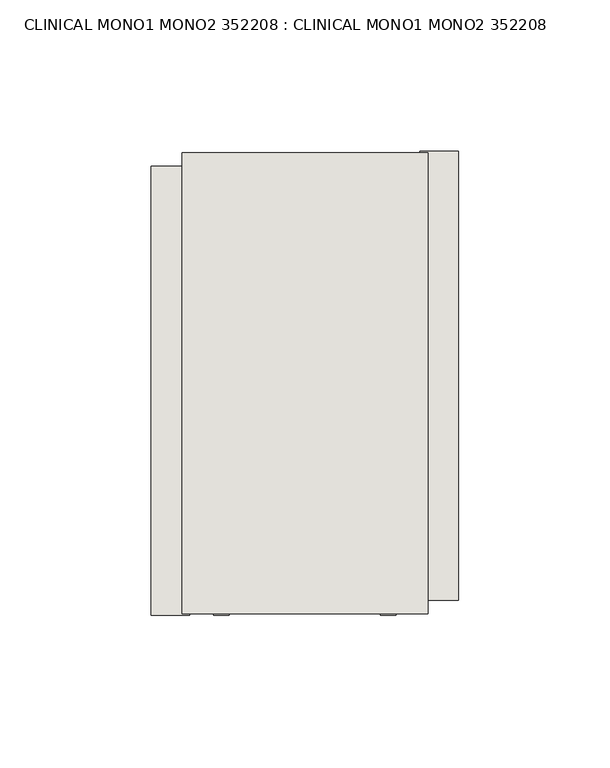
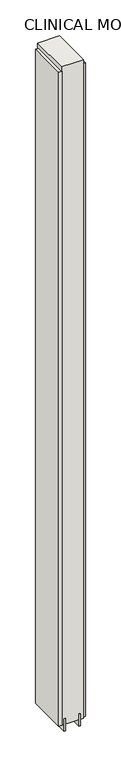
"""IFC4 building model written with IfcOpenShell, lengths in millimetres: wall geometry, CLINICAL MONO1 MONO2 352208 : CLINICAL MONO1 MONO2 352208."""

import ifcopenshell
import ifcopenshell.guid

model = None  # the IFC model being written
_history = None  # IfcOwnerHistory: only IFC2X3 demands one
_inside = {}  # id of a spatial element -> (the spatial element, [elements in it])
_under = {}  # id of a project, library or spatial element -> (it, [spatial elements below it])
_declared = {}  # id of a project -> (the project, [libraries it declares])
_typed = {}  # id of a type object -> (the type object, [elements of that type])
_made_of = {}  # id of a material, layer set ... -> (it, [elements and type objects made of it])


def new_model(schema):
    """Start an empty IFC model of exactly this schema.

    Asked for "IFC4X3", IfcOpenShell would pick the latest addendum, in which some entities
    have other attributes; the version numbers below select the first issue.
    IFC2X3 requires an IfcOwnerHistory on every rooted entity: one is made here for all.
    """
    global model, _history
    if schema == "IFC4X3":
        model = ifcopenshell.file(schema_version=(4, 3, 0, 0))
    else:
        model = ifcopenshell.file(schema=schema)
    _inside.clear()
    _under.clear()
    _declared.clear()
    _typed.clear()
    _made_of.clear()
    _history = None
    if model.schema == "IFC2X3":
        org = make("IfcOrganization", Name="unknown")
        user = make(
            "IfcPersonAndOrganization",
            ThePerson=make("IfcPerson", FamilyName="unknown"),
            TheOrganization=org,
        )
        app = make(
            "IfcApplication",
            ApplicationDeveloper=org,
            Version="unknown",
            ApplicationFullName="unknown",
            ApplicationIdentifier="unknown",
        )
        _history = make(
            "IfcOwnerHistory",
            OwningUser=user,
            OwningApplication=app,
            ChangeAction="ADDED",
            CreationDate=0,
        )
    return model


def make(cls, **values):
    """One entity of the class cls with the attributes given. An attribute that is None is left unset."""
    return model.create_entity(
        cls, **{name: value for name, value in values.items() if value is not None}
    )


def rooted(cls, **values):
    """An entity with a GlobalId (a new one), such as an element, a storey or a relation."""
    return make(cls, GlobalId=ifcopenshell.guid.new(), OwnerHistory=_history, **values)


def si_unit(unit_type, name, prefix=None):
    """IfcSIUnit, for example si_unit("LENGTHUNIT", "METRE", prefix="MILLI")."""
    return make("IfcSIUnit", UnitType=unit_type, Prefix=prefix, Name=name)


def assignment(units):
    """IfcUnitAssignment: the units of a project."""
    return None if units is None else make("IfcUnitAssignment", Units=units)


def point(xyz):
    """IfcCartesianPoint."""
    return None if xyz is None else make("IfcCartesianPoint", Coordinates=xyz)


def direction(xyz):
    """IfcDirection."""
    return None if xyz is None else make("IfcDirection", DirectionRatios=xyz)


def frame(location, z_axis=None, x_axis=None):
    """IfcAxis2Placement3D, a coordinate frame: its origin and axes. An axis left out is left unset."""
    return make(
        "IfcAxis2Placement3D",
        Location=point(location),
        Axis=direction(z_axis),
        RefDirection=direction(x_axis),
    )


def origin():
    """The frame at (0, 0, 0) with its axes left unset."""
    return frame((0.0, 0.0, 0.0))


def place(relative_to, where):
    """IfcLocalPlacement: puts the frame where relative to a parent placement (None: the world)."""
    return make(
        "IfcLocalPlacement", PlacementRelTo=relative_to, RelativePlacement=where
    )


def context(
    kind, dimensions, precision=None, world=None, true_north=None, identifier=None
):
    """IfcGeometricRepresentationContext, for example the 3D "Model" context."""
    return make(
        "IfcGeometricRepresentationContext",
        ContextIdentifier=identifier,
        ContextType=kind,
        CoordinateSpaceDimension=dimensions,
        Precision=precision,
        WorldCoordinateSystem=world,
        TrueNorth=true_north,
    )


def project(units=None, contexts=None):
    """IfcProject with its units and contexts."""
    return rooted(
        "IfcProject",
        Name="project",
        RepresentationContexts=contexts,
        UnitsInContext=assignment(units),
    )


def spatial(cls, under=None, at=None, **own):
    """A site, building, storey or space (cls), placed at a placement, below another one or the project."""
    s = rooted(cls, ObjectPlacement=at, **own)
    if under is not None:
        _under.setdefault(under.id(), (under, []))[1].append(s)
    return s


def polyline(points):
    """IfcPolyline through the points."""
    return make("IfcPolyline", Points=[point(p) for p in points])


def outline(outer, holes=None, kind="AREA"):
    """IfcArbitraryClosedProfileDef: a profile drawn as a closed curve; with holes, ...WithVoids."""
    if holes is None:
        return make("IfcArbitraryClosedProfileDef", ProfileType=kind, OuterCurve=outer)
    return make(
        "IfcArbitraryProfileDefWithVoids",
        ProfileType=kind,
        OuterCurve=outer,
        InnerCurves=holes,
    )


def extrude(swept, where, along, depth):
    """IfcExtrudedAreaSolid: the profile swept, set in the frame where, extruded along a direction by depth."""
    return make(
        "IfcExtrudedAreaSolid",
        SweptArea=swept,
        Position=where,
        ExtrudedDirection=direction(along),
        Depth=depth,
    )


def shape(context_of_items, identifier, shape_type, items):
    """IfcShapeRepresentation: the items that make up one representation, for example the "Body"."""
    return make(
        "IfcShapeRepresentation",
        ContextOfItems=context_of_items,
        RepresentationIdentifier=identifier,
        RepresentationType=shape_type,
        Items=items,
    )


def source(mapping_origin, context_of_items, identifier, shape_type, items):
    """IfcRepresentationMap: a shape defined once, which mapped items show again and again."""
    return make(
        "IfcRepresentationMap",
        MappingOrigin=mapping_origin,
        MappedRepresentation=shape(context_of_items, identifier, shape_type, items),
    )


def transform(
    local_origin,
    x_axis=None,
    y_axis=None,
    z_axis=None,
    scale=None,
    scale2=None,
    scale3=None,
    uniform=True,
):
    """IfcCartesianTransformationOperator3D, or its non-uniform kind. x_axis, y_axis, z_axis: its Axis1, 2, 3."""
    if uniform:
        return make(
            "IfcCartesianTransformationOperator3D",
            Axis1=direction(x_axis),
            Axis2=direction(y_axis),
            LocalOrigin=point(local_origin),
            Scale=scale,
            Axis3=direction(z_axis),
        )
    return make(
        "IfcCartesianTransformationOperator3DnonUniform",
        Axis1=direction(x_axis),
        Axis2=direction(y_axis),
        LocalOrigin=point(local_origin),
        Scale=scale,
        Axis3=direction(z_axis),
        Scale2=scale2,
        Scale3=scale3,
    )


def mapped(mapping_source, mapping_target):
    """IfcMappedItem: shows the shape of a source again, moved by a transform."""
    return make(
        "IfcMappedItem", MappingSource=mapping_source, MappingTarget=mapping_target
    )


def made_of(thing, what):
    """Note that an element or type object is made of a material, layer set ...; save() writes the relation."""
    if what is not None:
        _made_of.setdefault(what.id(), (what, []))[1].append(thing)
    return thing


def element(
    cls,
    number,
    at=None,
    inside=None,
    cuts=None,
    type_object=None,
    material=None,
    context=None,
    identifier="Body",
    shape_type=None,
    held_by="IfcProductDefinitionShape",
    body=None,
    shapes=None,
    **own,
):
    """One element of the class cls, such as IfcWall. Its Tag is "e" and its number.

    at: its placement. inside: the storey or other place that contains it. cuts: it is an
    opening in that element (IfcRelVoidsElement). A single representation is given by context,
    identifier, shape_type and body (its items); several are given by shapes. held_by: the class
    of the entity that holds the representations. save() writes the other relations.
    """
    e = rooted(cls, Tag="e%d" % number, ObjectPlacement=at, **own)
    if body is not None:
        shapes = [shape(context, identifier, shape_type, body)]
    if shapes is not None:
        e.Representation = make(held_by, Representations=shapes)
    if inside is not None:
        _inside.setdefault(inside.id(), (inside, []))[1].append(e)
    if cuts is not None:
        rooted(
            "IfcRelVoidsElement", RelatingBuildingElement=cuts, RelatedOpeningElement=e
        )
    if type_object is not None:
        _typed.setdefault(type_object.id(), (type_object, []))[1].append(e)
    return made_of(e, material)


def aggregate(whole, parts):
    """IfcRelAggregates: a whole, such as a stair, and the parts it consists of."""
    return rooted("IfcRelAggregates", RelatingObject=whole, RelatedObjects=parts)


def save(model, path):
    """Write the relations noted so far, then the file.

    IfcRelAggregates (storeys below a building ...), IfcRelContainedInSpatialStructure (elements
    in a storey), IfcRelDefinesByType, IfcRelAssociatesMaterial and IfcRelDeclares: one each for
    every whole, place, type object, material and project.
    """
    for whole, parts in _under.values():
        aggregate(whole, parts)
    for where, things in _inside.values():
        rooted(
            "IfcRelContainedInSpatialStructure",
            RelatedElements=things,
            RelatingStructure=where,
        )
    for kind, things in _typed.values():
        rooted("IfcRelDefinesByType", RelatedObjects=things, RelatingType=kind)
    for what, things in _made_of.values():
        rooted("IfcRelAssociatesMaterial", RelatedObjects=things, RelatingMaterial=what)
    for by, libraries in _declared.values():
        rooted("IfcRelDeclares", RelatingContext=by, RelatedDefinitions=libraries)
    model.write(path)


def clinical_mono1_mono2_352208_clinical_mono1_mono2_352208_f949cfb9(model_context):
    return source(origin(), model_context, "Body", "SweptSolid", [
        extrude(outline(polyline([(84503.932211, -37588.6092016), (84503.932211, -37591.1492016), (84501.392211, -37591.1492016), (84501.392211, -37588.6092016), (84503.932211, -37588.6092016)])), frame((0.0, 0.0, 4419.6), z_axis=(0.0, 0.0, 1.0), x_axis=(1.0, 0.0, 0.0)), (0.0, 0.0, 1.0), 2.54),
        extrude(outline(polyline([(84451.862211, -37741.4760257), (84451.862211, -37593.0760227), (84464.562211, -37593.0760227), (84464.562211, -37741.4760257), (84451.862211, -37741.4760257)])), frame((0.0, 0.0, 4445.0), z_axis=(0.0, 0.0, 1.0), x_axis=(1.0, 0.0, 0.0)), (0.0, 0.0, 1.0), 2545.0498756),
        extrude(outline(polyline([(84553.462211, -37588.1460859), (84553.462211, -37736.5460889), (84540.762211, -37736.5460889), (84540.762211, -37588.1460859), (84553.462211, -37588.1460859)])), frame((0.0, 0.0, 4445.0), z_axis=(0.0, 0.0, 1.0), x_axis=(1.0, 0.0, 0.0)), (0.0, 0.0, 1.0), 2545.0498756),
        extrude(outline(polyline([(84477.5784664, -37588.6203522), (84477.5784664, -37741.0203522), (84472.499711, -37741.0203522), (84472.499711, -37588.6203522), (84477.5784664, -37588.6203522)])), frame((0.0, 0.0, 4418.6602), z_axis=(0.0, 0.0, 1.0), x_axis=(1.0, 0.0, 0.0)), (0.0, 0.0, 1.0), 47.625),
        extrude(outline(polyline([(84477.5784664, -37588.6203522), (84477.5784664, -37741.0203522), (84472.499711, -37741.0203522), (84472.499711, -37588.6203522), (84477.5784664, -37588.6203522)])), frame((0.0, 0.0, 4418.6602), z_axis=(0.0, 0.0, 1.0), x_axis=(1.0, 0.0, 0.0)), (0.0, 0.0, 1.0), 47.625),
        extrude(outline(polyline([(84527.7459556, -37741.0203522), (84527.7459556, -37588.6203522), (84532.824711, -37588.6203522), (84532.824711, -37741.0203522), (84527.7459556, -37741.0203522)])), frame((0.0, 0.0, 4418.6602), z_axis=(0.0, 0.0, 1.0), x_axis=(1.0, 0.0, 0.0)), (0.0, 0.0, 1.0), 47.625),
        extrude(outline(polyline([(84527.7459556, -37741.0203522), (84527.7459556, -37588.6203522), (84532.824711, -37588.6203522), (84532.824711, -37741.0203522), (84527.7459556, -37741.0203522)])), frame((0.0, 0.0, 4418.6602), z_axis=(0.0, 0.0, 1.0), x_axis=(1.0, 0.0, 0.0)), (0.0, 0.0, 1.0), 47.625),
        extrude(outline(polyline([(84462.0073266, -37588.6203522), (84543.3170954, -37588.6203522), (84543.3170954, -37741.0203522), (84462.0073266, -37741.0203522), (84462.0073266, -37588.6203522)])), frame((0.0, 0.0, 4445.0), z_axis=(0.0, 0.0, 1.0), x_axis=(1.0, 0.0, 0.0)), (0.0, 0.0, 1.0), 2562.4536762),
    ])


if __name__ == "__main__":
    model = new_model("IFC4")
    model_context = context("Model", 3, world=origin())
    ifc_project = project(units=[si_unit("LENGTHUNIT", "METRE", prefix="MILLI")], contexts=[model_context])
    site = spatial("IfcSite", under=ifc_project)
    building = spatial("IfcBuilding", under=site)
    placement = place(None, origin())
    clinical_mono1_mono2_352208_clinical_mono1_mono2_352208_shape = clinical_mono1_mono2_352208_clinical_mono1_mono2_352208_f949cfb9(model_context)
    element("IfcWall", 1, ObjectType="CLINICAL MONO1 MONO2 352208 : CLINICAL MONO1 MONO2 352208", at=placement, inside=building, context=model_context, shape_type="MappedRepresentation", body=[
        mapped(clinical_mono1_mono2_352208_clinical_mono1_mono2_352208_shape, transform((0.0, 0.0, 0.0), x_axis=(1.0, 0.0, 0.0), y_axis=(0.0, 1.0, 0.0), z_axis=(0.0, 0.0, 1.0))),
    ])
    save(model, "model.ifc")
